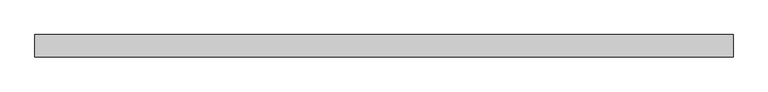
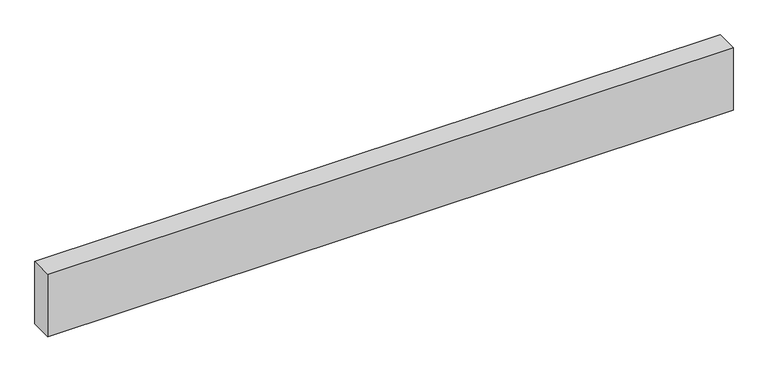
"""IFC4 building model written with IfcOpenShell, lengths in millimetres: proxy geometry."""

from ifc_helpers import new_model, si_unit, origin, origin_with_axes, place, context, project, spatial, polyline, outline, extrude, source, transform, mapped, element, save


def generic_models_5bac6347(model_context):
    return source(origin(), model_context, "Body", "SweptSolid", [
        extrude(outline(polyline([(3109.3058142, 0.0), (3109.3058142, -100.0), (0.0, -100.0), (0.0, 0.0), (3109.3058142, 0.0)])), origin_with_axes(), (0.0, 0.0, 1.0), 300.0),
    ])


if __name__ == "__main__":
    model = new_model("IFC4")
    model_context = context("Model", 3, world=origin())
    ifc_project = project(units=[si_unit("LENGTHUNIT", "METRE", prefix="MILLI")], contexts=[model_context])
    site = spatial("IfcSite", under=ifc_project)
    building = spatial("IfcBuilding", under=site)
    placement = place(None, origin())
    generic_models_shape = generic_models_5bac6347(model_context)
    element("IfcBuildingElementProxy", 1, Name="Generic Models", at=placement, inside=building, context=model_context, shape_type="MappedRepresentation", body=[
        mapped(generic_models_shape, transform((0.0, 0.0, 0.0), x_axis=(1.0, 0.0, 0.0), y_axis=(0.0, 1.0, 0.0), z_axis=(0.0, 0.0, 1.0))),
    ])
    save(model, "model.ifc")
